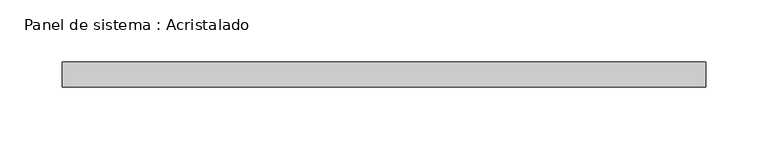
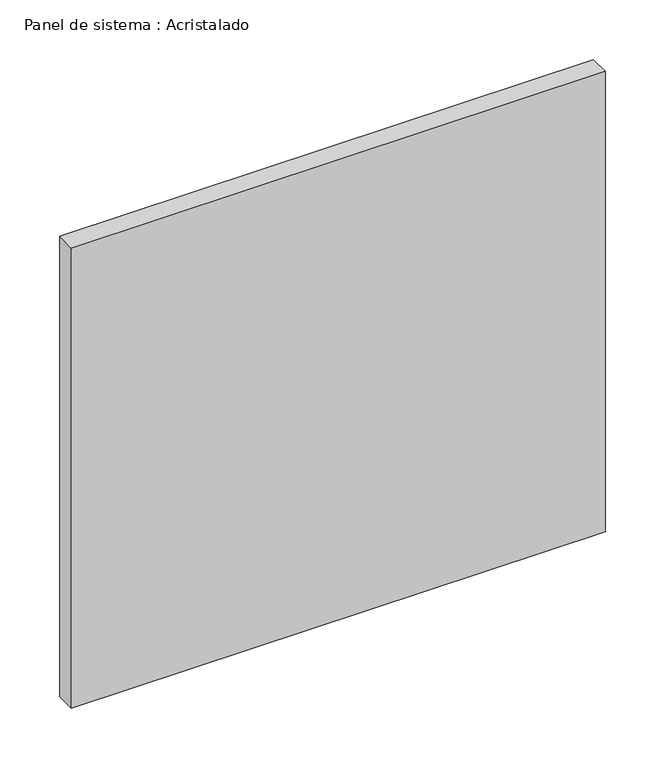
"""IFC4 building model written with IfcOpenShell, lengths in millimetres: plate geometry, Panel de sistema : Acristalado."""

from ifc_helpers import new_model, si_unit, origin, origin_with_axes, place, context, project, spatial, polyline, outline, extrude, source, transform, mapped, element, save


def panel_de_sistema_acristalado_ef2f9e60(model_context):
    return source(origin(), model_context, "Body", "SweptSolid", [
        extrude(outline(polyline([(258.8333333, -10.0), (-258.8333333, -10.0), (-258.8333333, 10.0), (258.8333333, 10.0), (258.8333333, -10.0)])), origin_with_axes(), (0.0, 0.0, 1.0), 472.0),
    ])


if __name__ == "__main__":
    model = new_model("IFC4")
    model_context = context("Model", 3, world=origin())
    ifc_project = project(units=[si_unit("LENGTHUNIT", "METRE", prefix="MILLI")], contexts=[model_context])
    site = spatial("IfcSite", under=ifc_project)
    building = spatial("IfcBuilding", under=site)
    placement = place(None, origin())
    panel_de_sistema_acristalado_shape = panel_de_sistema_acristalado_ef2f9e60(model_context)
    element("IfcPlate", 1, ObjectType="Panel de sistema : Acristalado", at=placement, inside=building, context=model_context, shape_type="MappedRepresentation", body=[
        mapped(panel_de_sistema_acristalado_shape, transform((0.0, 0.0, 0.0), x_axis=(1.0, 0.0, 0.0), y_axis=(0.0, 1.0, 0.0), z_axis=(0.0, 0.0, 1.0))),
    ])
    save(model, "model.ifc")
